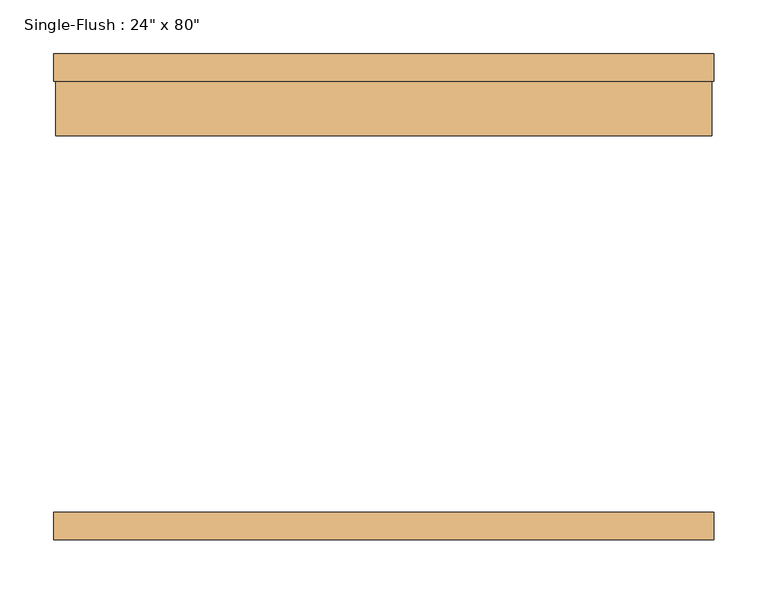
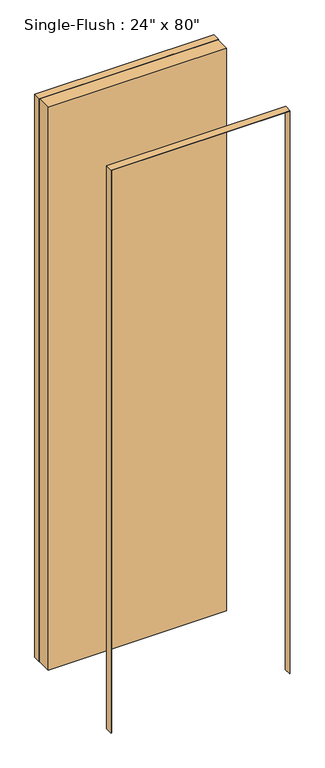
"""IFC4 building model written with IfcOpenShell, lengths in millimetres: door geometry."""

from ifc_helpers import new_model, si_unit, frame, origin, origin_with_axes, place, context, project, spatial, polyline, outline, extrude, source, transform, mapped, element, save


def door_e6823162(model_context):
    return source(origin(), model_context, "Body", "SweptSolid", [
        extrude(outline(polyline([(2033.5875, -306.3875), (0.0, -306.3875), (0.0, -304.8), (2032.0, -304.8), (2032.0, 304.8), (0.0, 304.8), (0.0, 306.3875), (2033.5875, 306.3875), (2033.5875, -306.3875)])), frame((0.0, 200.0, 0.0), z_axis=(0.0, 1.0, 0.0), x_axis=(0.0, 0.0, 1.0)), (0.0, 0.0, 1.0), 25.4),
        extrude(outline(polyline([(2033.5875, 306.3875), (2033.5875, -306.3875), (0.0, -306.3875), (0.0, -304.8), (2032.0, -304.8), (2032.0, 304.8), (0.0, 304.8), (0.0, 306.3875), (2033.5875, 306.3875)])), frame((0.0, -225.4, 0.0), z_axis=(0.0, 1.0, 0.0), x_axis=(0.0, 0.0, 1.0)), (0.0, 0.0, 1.0), 25.4),
        extrude(outline(polyline([(304.8, 149.2), (-304.8, 149.2), (-304.8, 200.0), (304.8, 200.0), (304.8, 149.2)])), origin_with_axes(), (0.0, 0.0, 1.0), 2032.0),
    ])


if __name__ == "__main__":
    model = new_model("IFC4")
    model_context = context("Model", 3, world=origin())
    ifc_project = project(units=[si_unit("LENGTHUNIT", "METRE", prefix="MILLI")], contexts=[model_context])
    site = spatial("IfcSite", under=ifc_project)
    building = spatial("IfcBuilding", under=site)
    placement = place(None, origin())
    door_shape = door_e6823162(model_context)
    element("IfcDoor", 1, ObjectType="Single-Flush : 24\" x 80\"", at=placement, inside=building, context=model_context, shape_type="MappedRepresentation", body=[
        mapped(door_shape, transform((0.0, 0.0, 0.0), x_axis=(1.0, 0.0, 0.0), y_axis=(0.0, 1.0, 0.0), z_axis=(0.0, 0.0, 1.0))),
    ])
    save(model, "model.ifc")
